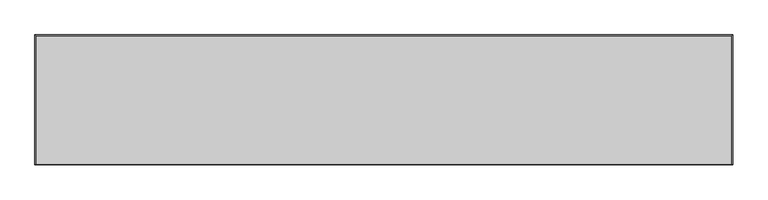
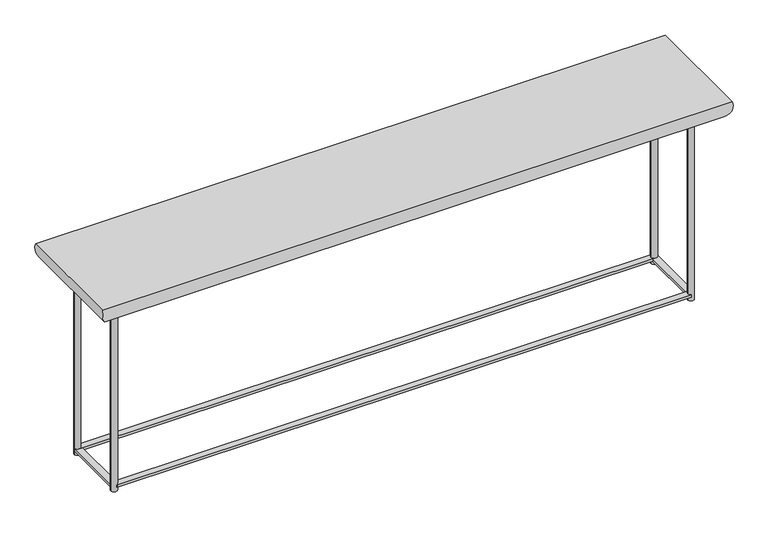
"""IFC4 building model written with IfcOpenShell, lengths in millimetres: furniture geometry."""

from ifc_helpers import new_model, si_unit, point, frame, frame_2d, origin, origin_with_axes, place, context, project, spatial, polyline, circle_curve, ellipse_curve, trimmed, segment, composite_curve, outline, extrude, source, transform, mapped, element, save
from ifc_brep_helpers import plane_surface, cylinder_surface, advanced_brep


def furniture_62b463a3(model_context):
    return source(origin(), model_context, "Body", "SolidModel", [
        extrude(outline(composite_curve([segment(trimmed(circle_curve(frame_2d((549.4528, 60.5004981)), 6.096), [point((555.5488, 60.5004981))], [point((543.3568, 60.5004981))], False, "CARTESIAN"), True, "CONTINUOUS"), segment(trimmed(circle_curve(frame_2d((549.4528, 60.5004981)), 6.096), [point((543.3568, 60.5004981))], [point((555.5488, 60.5004981))], False, "CARTESIAN"), True, "CONTINUOUS")], self_intersect=False)), origin_with_axes(), (0.0, 0.0, 1.0), 368.94008),
        extrude(outline(composite_curve([segment(trimmed(circle_curve(frame_2d((549.4528, -60.5004981)), 6.096), [point((555.5488, -60.5004981))], [point((543.3568, -60.5004981))], False, "CARTESIAN"), True, "CONTINUOUS"), segment(trimmed(circle_curve(frame_2d((549.4528, -60.5004981)), 6.096), [point((543.3568, -60.5004981))], [point((555.5488, -60.5004981))], False, "CARTESIAN"), True, "CONTINUOUS")], self_intersect=False)), origin_with_axes(), (0.0, 0.0, 1.0), 368.94008),
        extrude(outline(composite_curve([segment(trimmed(circle_curve(frame_2d((-549.4528, 60.5004981)), 6.096), [point((-543.3568, 60.5004981))], [point((-555.5488, 60.5004981))], False, "CARTESIAN"), True, "CONTINUOUS"), segment(trimmed(circle_curve(frame_2d((-549.4528, 60.5004981)), 6.096), [point((-555.5488, 60.5004981))], [point((-543.3568, 60.5004981))], False, "CARTESIAN"), True, "CONTINUOUS")], self_intersect=False)), origin_with_axes(), (0.0, 0.0, 1.0), 368.94008),
        advanced_brep(
        [(569.24956, 80.2972581, 368.94008), (599.44, 110.4876981, 408.94), (599.44, -110.4876981, 408.94), (569.24956, -80.2972581, 368.94008), (-599.44, -110.4876981, 408.94), (-569.24956, -80.2972581, 368.94008), (-599.44, 110.4876981, 408.94), (-569.24956, 80.2972581, 368.94008)],
        [
            (0, 1, ellipse_curve(frame((569.24956, 80.2972581, 400.3333461), z_axis=(0.7071067811865475, -0.7071067811865475, 0.0), x_axis=(0.7071067811865474, 0.7071067811865476, 0.0)), 44.3967827, 31.3932661)),
            (1, 2),
            (2, 3, ellipse_curve(frame((569.24956, -80.2972581, 400.3333461), z_axis=(0.7071067811865475, 0.7071067811865475, 0.0), x_axis=(-0.7071067811865474, 0.7071067811865476, 0.0)), 44.3967827, 31.3932661)),
            (3, 0),
            (2, 4),
            (4, 5, ellipse_curve(frame((-569.24956, -80.2972581, 400.3333461), z_axis=(0.7071067811865475, -0.7071067811865475, 0.0), x_axis=(0.7071067811865476, 0.7071067811865474, 0.0)), 44.3967827, 31.3932661)),
            (5, 3),
            (4, 6),
            (6, 7, ellipse_curve(frame((-569.24956, 80.2972581, 400.3333461), z_axis=(-0.7071067811865475, -0.7071067811865475, 0.0), x_axis=(0.7071067811865474, -0.7071067811865476, 0.0)), 44.3967827, 31.3932661)),
            (7, 5),
            (1, 6),
            (0, 7),
        ],
        [
            cylinder_surface(frame((569.24956, 60.5004981, 400.3333461), z_axis=(0.0, 1.0, 0.0), x_axis=(1.0, 0.0, 0.0)), 31.3932661),
            cylinder_surface(frame((549.4528, -80.2972581, 400.3333461), z_axis=(1.0, 0.0, 0.0), x_axis=(0.0, -1.0, 0.0)), 31.3932661),
            cylinder_surface(frame((-569.24956, -60.5004981, 400.3333461), z_axis=(0.0, -1.0, 0.0), x_axis=(-1.0, 0.0, 0.0)), 31.3932661),
            plane_surface(frame((-549.4528, 60.5004981, 408.94), z_axis=(0.0, 0.0, 1.0), x_axis=(1.0, 0.0, 0.0))),
            cylinder_surface(frame((-549.4528, 80.2972581, 400.3333461), z_axis=(-1.0, 0.0, 0.0), x_axis=(0.0, 1.0, 0.0)), 31.3932661),
            plane_surface(frame((-569.24956, 80.2972581, 368.94008), z_axis=(0.0, 0.0, -1.0), x_axis=(1.0, 0.0, 0.0))),
        ],
        [
            (0, [[1, 2, 3, 4]]),
            (1, [[-3, 5, 6, 7]]),
            (2, [[-6, 8, 9, 10]]),
            (3, [[-2, 11, -8, -5]]),
            (4, [[-1, 12, -9, -11]]),
            (5, [[-4, -7, -10, -12]]),
        ],
    ),
        extrude(outline(composite_curve([segment(trimmed(circle_curve(frame_2d((-549.4528, 60.5004981)), 5.99948), [point((-555.45228, 60.5004981))], [point((-543.45332, 60.5004981))], False, "CARTESIAN"), True, "CONTINUOUS"), segment(trimmed(circle_curve(frame_2d((-549.4528, 60.5004981)), 5.99948), [point((-543.45332, 60.5004981))], [point((-555.45228, 60.5004981))], False, "CARTESIAN"), True, "CONTINUOUS")], self_intersect=False)), origin_with_axes(), (0.0, 0.0, 1.0), 368.94008),
        extrude(outline(composite_curve([segment(trimmed(circle_curve(frame_2d((-549.4528, -60.5004981)), 6.096), [point((-543.3568, -60.5004981))], [point((-555.5488, -60.5004981))], False, "CARTESIAN"), True, "CONTINUOUS"), segment(trimmed(circle_curve(frame_2d((-549.4528, -60.5004981)), 6.096), [point((-555.5488, -60.5004981))], [point((-543.3568, -60.5004981))], False, "CARTESIAN"), True, "CONTINUOUS")], self_intersect=False)), origin_with_axes(), (0.0, 0.0, 1.0), 368.94008),
        extrude(outline(polyline([(549.4528, -54.4044981), (549.4528, -66.5964981), (-549.4528, -66.5964981), (-549.4528, -54.4044981), (549.4528, -54.4044981)])), frame((0.0, 0.0, 7.45998), z_axis=(0.0, 0.0, 1.0), x_axis=(1.0, 0.0, 0.0)), (0.0, 0.0, 1.0), 5.08),
        extrude(outline(polyline([(549.4528, 66.5964981), (549.4528, 54.4044981), (-549.4528, 54.4044981), (-549.4528, 66.5964981), (549.4528, 66.5964981)])), frame((0.0, 0.0, 7.45998), z_axis=(0.0, 0.0, 1.0), x_axis=(1.0, 0.0, 0.0)), (0.0, 0.0, 1.0), 5.08),
        extrude(outline(polyline([(555.5488, -60.5004981), (543.3568, -60.5004981), (543.3568, 60.5004981), (555.5488, 60.5004981), (555.5488, -60.5004981)])), frame((0.0, 0.0, 7.45998), z_axis=(0.0, 0.0, 1.0), x_axis=(1.0, 0.0, 0.0)), (0.0, 0.0, 1.0), 5.08),
        extrude(outline(polyline([(-543.3568, -60.5004981), (-555.5488, -60.5004981), (-555.5488, 60.5004981), (-543.3568, 60.5004981), (-543.3568, -60.5004981)])), frame((0.0, 0.0, 7.45998), z_axis=(0.0, 0.0, 1.0), x_axis=(1.0, 0.0, 0.0)), (0.0, 0.0, 1.0), 5.08),
    ])


if __name__ == "__main__":
    model = new_model("IFC4")
    model_context = context("Model", 3, world=origin())
    ifc_project = project(units=[si_unit("LENGTHUNIT", "METRE", prefix="MILLI")], contexts=[model_context])
    site = spatial("IfcSite", under=ifc_project)
    building = spatial("IfcBuilding", under=site)
    placement = place(None, origin())
    furniture_shape = furniture_62b463a3(model_context)
    element("IfcFurniture", 1, at=placement, inside=building, context=model_context, shape_type="MappedRepresentation", body=[
        mapped(furniture_shape, transform((0.0, 0.0, 0.0), x_axis=(1.0, 0.0, 0.0), y_axis=(0.0, 1.0, 0.0), z_axis=(0.0, 0.0, 1.0))),
    ])
    save(model, "model.ifc")
